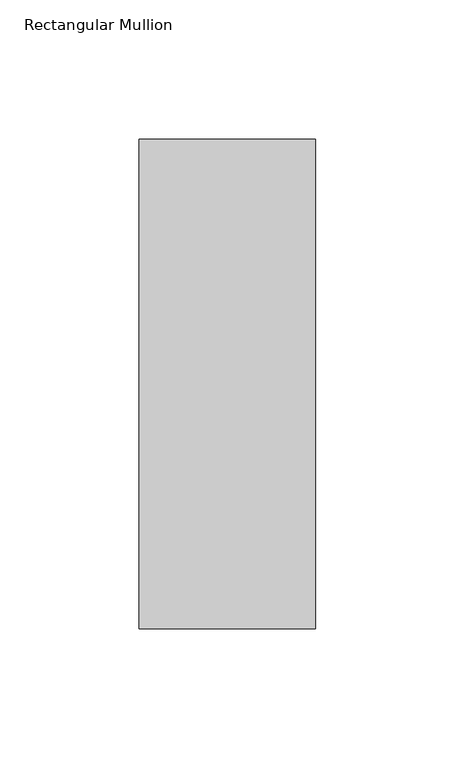
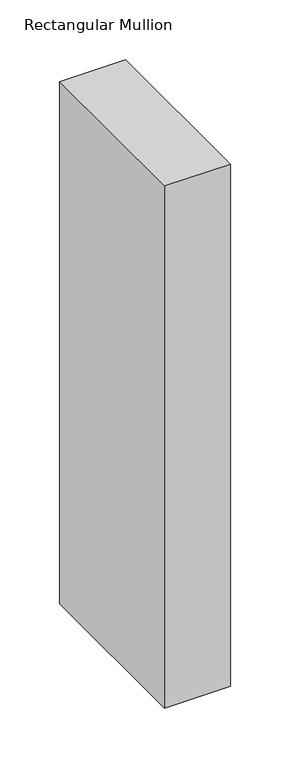
"""IFC4 building model written with IfcOpenShell, lengths in millimetres: member geometry, Rectangular Mullion."""

from ifc_helpers import new_model, si_unit, frame, origin, place, context, project, spatial, polyline, outline, extrude, source, transform, mapped, element, save


def rectangular_mullion_25aae298(model_context):
    return source(origin(), model_context, "Body", "SweptSolid", [
        extrude(outline(polyline([(-63.5, 222.5381312), (-5e-07, 222.5381313), (-5e-07, 46.7447302), (-63.5, 46.7447302), (-63.5, 222.5381312)])), frame((0.0, 0.0, -533.36825), z_axis=(0.0, 0.0, 1.0), x_axis=(1.0, 0.0, 0.0)), (0.0, 0.0, 1.0), 533.36825),
    ])


if __name__ == "__main__":
    model = new_model("IFC4")
    model_context = context("Model", 3, world=origin())
    ifc_project = project(units=[si_unit("LENGTHUNIT", "METRE", prefix="MILLI")], contexts=[model_context])
    site = spatial("IfcSite", under=ifc_project)
    building = spatial("IfcBuilding", under=site)
    placement = place(None, origin())
    rectangular_mullion_shape = rectangular_mullion_25aae298(model_context)
    element("IfcMember", 1, ObjectType="Rectangular Mullion", at=placement, inside=building, context=model_context, shape_type="MappedRepresentation", body=[
        mapped(rectangular_mullion_shape, transform((0.0, 0.0, 0.0), x_axis=(1.0, 0.0, 0.0), y_axis=(0.0, 1.0, 0.0), z_axis=(0.0, 0.0, 1.0))),
    ])
    save(model, "model.ifc")
